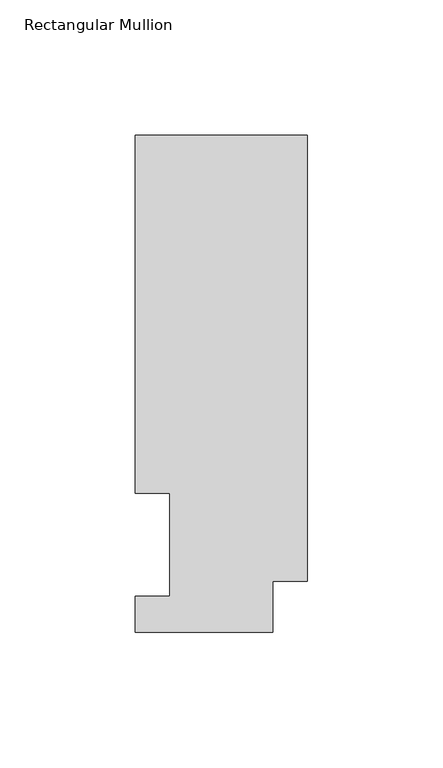
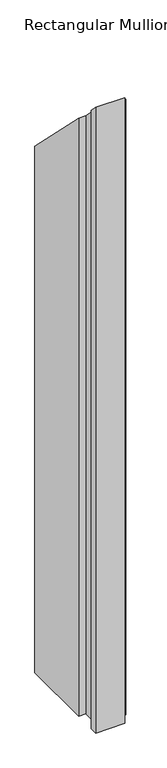
"""IFC4 building model written with IfcOpenShell, lengths in millimetres: member geometry, Rectangular Mullion."""

from ifc_helpers import new_model, si_unit, origin, place, context, project, spatial, faceted_brep, source, transform, mapped, element, save


def rectangular_mullion_c4341303(model_context):
    return source(origin(), model_context, "Body", "Brep", [
        faceted_brep([(0.0, 18.7332937, -1155.7134938), (-12.7, 18.7332937, -1155.7134938), (-12.7, 0.0134937, -1155.7134938), (-63.5, 0.0134937, -1155.7134938), (-63.5, 13.1960938, -1155.7134938), (-50.8, 13.1960938, -1155.7134938), (-50.8, 51.2960937, -1155.7134938), (-63.5, 51.2960937, -1155.7134938), (-63.5, 183.4446737, -1155.7134938), (0.0, 183.4446737, -1155.7134938), (0.0, 18.7332937, -18.7332937), (-12.7, 18.7332937, -18.7332937), (0.0, 183.4446737, -183.4446737), (-63.5, 183.4446737, -183.4446737), (-63.5, 51.2960937, -51.2960937), (-50.8, 51.2960937, -51.2960937), (-50.8, 13.1960938, -13.1960938), (-63.5, 13.1960938, -13.1960938), (-63.5, 0.0134937, -0.0134937), (-12.7, 0.0134937, -0.0134937)], [[[0, 1, 2, 3, 4, 5, 6, 7, 8, 9]], [[10, 11, 1, 0]], [[12, 10, 0, 9]], [[13, 12, 9, 8]], [[14, 13, 8, 7]], [[15, 14, 7, 6]], [[16, 15, 6, 5]], [[17, 16, 5, 4]], [[18, 17, 4, 3]], [[19, 18, 3, 2]], [[11, 19, 2, 1]], [[10, 12, 13, 14, 15, 16, 17, 18, 19, 11]]]),
    ])


if __name__ == "__main__":
    model = new_model("IFC4")
    model_context = context("Model", 3, world=origin())
    ifc_project = project(units=[si_unit("LENGTHUNIT", "METRE", prefix="MILLI")], contexts=[model_context])
    site = spatial("IfcSite", under=ifc_project)
    building = spatial("IfcBuilding", under=site)
    placement = place(None, origin())
    rectangular_mullion_shape = rectangular_mullion_c4341303(model_context)
    element("IfcMember", 1, ObjectType="Rectangular Mullion", at=placement, inside=building, context=model_context, shape_type="MappedRepresentation", body=[
        mapped(rectangular_mullion_shape, transform((0.0, 0.0, 0.0), x_axis=(1.0, 0.0, 0.0), y_axis=(0.0, 1.0, 0.0), z_axis=(0.0, 0.0, 1.0))),
    ])
    save(model, "model.ifc")
